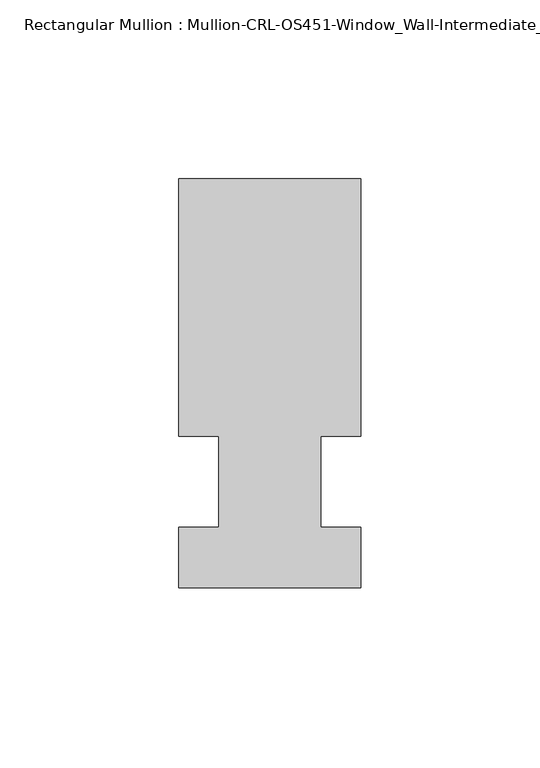
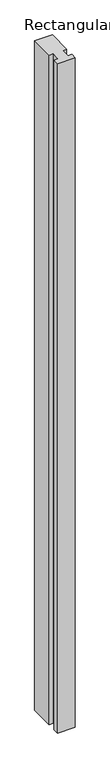
"""IFC4 building model written with IfcOpenShell, lengths in millimetres: member geometry, Rectangular Mullion : Mullion-CRL-OS451-Window_Wall-Intermediate_Vertical."""

from ifc_helpers import new_model, si_unit, frame, origin, place, context, project, spatial, polyline, outline, extrude, source, transform, mapped, element, save


def rectangular_mullion_mullion_crl_os451_window_wall_4ceced87(model_context):
    return source(origin(), model_context, "Body", "SweptSolid", [
        extrude(outline(polyline([(-25.4, 12.7), (-25.4, 84.6587463), (25.4, 84.6587463), (25.4, 12.7), (14.3002899, 12.7), (14.3002899, -12.7), (25.4, -12.7), (25.4, -29.6531114), (-25.4, -29.6531114), (-25.4, -12.7), (-14.2786274, -12.7), (-14.2786274, 12.7), (-25.4, 12.7)])), frame((0.0, 0.0, -2037.0775442), z_axis=(0.0, 0.0, 1.0), x_axis=(1.0, 0.0, 0.0)), (0.0, 0.0, 1.0), 2037.0775442),
    ])


if __name__ == "__main__":
    model = new_model("IFC4")
    model_context = context("Model", 3, world=origin())
    ifc_project = project(units=[si_unit("LENGTHUNIT", "METRE", prefix="MILLI")], contexts=[model_context])
    site = spatial("IfcSite", under=ifc_project)
    building = spatial("IfcBuilding", under=site)
    placement = place(None, origin())
    rectangular_mullion_mullion_crl_os451_window_wall_shape = rectangular_mullion_mullion_crl_os451_window_wall_4ceced87(model_context)
    element("IfcMember", 1, ObjectType="Rectangular Mullion : Mullion-CRL-OS451-Window_Wall-Intermediate_Vertical", at=placement, inside=building, context=model_context, shape_type="MappedRepresentation", body=[
        mapped(rectangular_mullion_mullion_crl_os451_window_wall_shape, transform((0.0, 0.0, 0.0), x_axis=(1.0, 0.0, 0.0), y_axis=(0.0, 1.0, 0.0), z_axis=(0.0, 0.0, 1.0))),
    ])
    save(model, "model.ifc")
